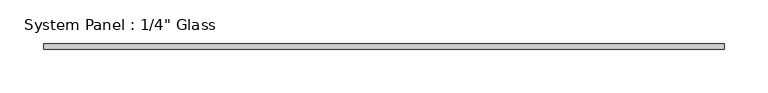
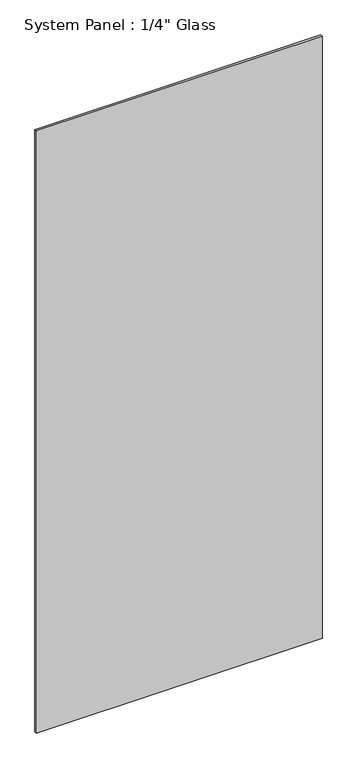
"""IFC4 building model written with IfcOpenShell, lengths in millimetres: plate geometry."""

from ifc_helpers import new_model, si_unit, origin, origin_with_axes, place, context, project, spatial, polyline, outline, extrude, source, transform, mapped, element, save


def plate_f5adffd7(model_context):
    return source(origin(), model_context, "Body", "SweptSolid", [
        extrude(outline(polyline([(390.525, -3.175), (-390.525, -3.175), (-390.525, 3.175), (390.525, 3.175), (390.525, -3.175)])), origin_with_axes(), (0.0, 0.0, 1.0), 1739.9),
    ])


if __name__ == "__main__":
    model = new_model("IFC4")
    model_context = context("Model", 3, world=origin())
    ifc_project = project(units=[si_unit("LENGTHUNIT", "METRE", prefix="MILLI")], contexts=[model_context])
    site = spatial("IfcSite", under=ifc_project)
    building = spatial("IfcBuilding", under=site)
    placement = place(None, origin())
    plate_shape = plate_f5adffd7(model_context)
    element("IfcPlate", 1, ObjectType="System Panel : 1/4\" Glass", at=placement, inside=building, context=model_context, shape_type="MappedRepresentation", body=[
        mapped(plate_shape, transform((0.0, 0.0, 0.0), x_axis=(1.0, 0.0, 0.0), y_axis=(0.0, 1.0, 0.0), z_axis=(0.0, 0.0, 1.0))),
    ])
    save(model, "model.ifc")
